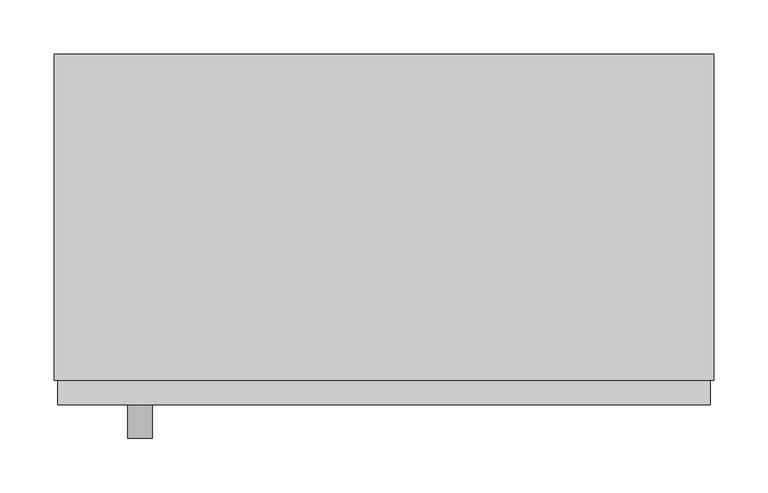
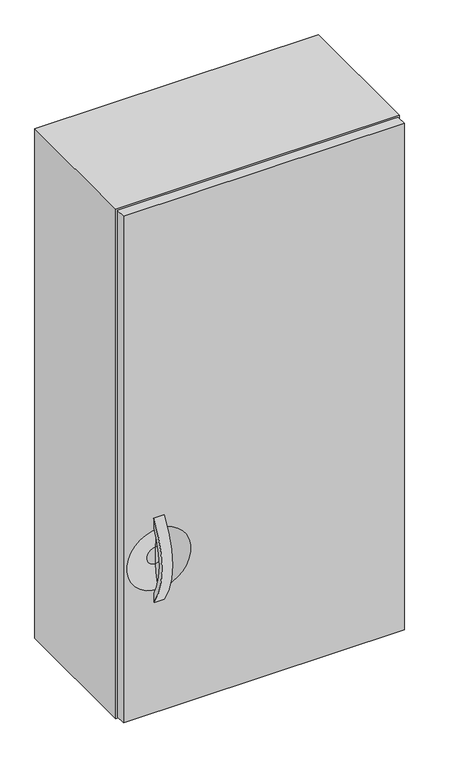
"""IFC4 building model written with IfcOpenShell, lengths in millimetres: furniture geometry."""

from ifc_helpers import new_model, si_unit, point, frame, frame_2d, origin, place, context, project, spatial, polyline, circle_curve, ellipse_curve, trimmed, segment, composite_curve, outline, extrude, source, transform, mapped, element, save
from ifc_brep_helpers import plane_surface, revolved_surface, advanced_brep


def furniture_ac9c296b(model_context):
    return source(origin(), model_context, "Body", "SolidModel", [
        extrude(outline(composite_curve([segment(trimmed(circle_curve(frame_2d((-190.9255705, 1312.8960115)), 164.0076795), [point((-323.977, 1217.0010896))], [point((-323.977, 1408.7909333))], False, "CARTESIAN"), True, "CONTINUOUS"), segment(polyline([(-323.977, 1408.7909333), (-323.977, 1390.1310792)]), True, "CONTINUOUS"), segment(trimmed(circle_curve(frame_2d((-192.7296017, 1312.8976127)), 152.2855473), [point((-323.977, 1390.1310792))], [point((-323.977, 1235.6641461))], True, "CARTESIAN"), True, "CONTINUOUS"), segment(polyline([(-323.977, 1235.6641461), (-323.977, 1217.0010896)]), True, "CONTINUOUS")], self_intersect=False)), frame((-217.7997951, 0.0, 0.0), z_axis=(1.0, 0.0, 0.0), x_axis=(0.0, 1.0, 0.0)), (0.0, 0.0, 1.0), 22.225),
        advanced_brep(
        [(-282.8872951, -301.2559062, 2116.1375), (-282.8872951, -323.977, 2116.1375), (320.3627049, -323.977, 2116.1375), (320.3627049, -301.2559062, 2116.1375), (-282.8872951, -301.2559062, 966.8637), (320.3627049, -301.2559062, 966.8637), (320.3627049, -323.977, 966.8637), (-282.8872951, -323.977, 966.8637), (-206.6872951, -323.977, 1381.4731846), (-206.6872951, -323.977, 1244.3188383), (-206.6872951, -311.3273482, 1293.8482279), (-206.6872951, -311.3273482, 1331.943795), (-206.6872951, -311.3273482, 1312.8960115)],
        [
            (0, 1),
            (1, 2),
            (2, 3),
            (3, 0),
            (4, 5),
            (5, 6),
            (6, 7),
            (7, 4),
            (0, 4),
            (7, 1),
            (6, 2),
            (8, 9, circle_curve(frame((-206.6872951, -323.977, 1312.8960115), z_axis=(0.0, 1.0, 0.0), x_axis=(0.0, 0.0, 1.0)), 68.5771731)),
            (9, 8, circle_curve(frame((-206.6872951, -323.977, 1312.8960115), z_axis=(0.0, 1.0, 0.0), x_axis=(0.0, 0.0, 1.0)), 68.5771731)),
            (5, 3),
            (10, 9, circle_curve(frame((-206.6872951, -432.1044866, 1298.3142972), z_axis=(-1.0, 0.0, 0.0), x_axis=(0.0, -1.0, 0.0)), 120.8596829)),
            (8, 11, circle_curve(frame((-206.6872951, -432.1044866, 1327.4777257), z_axis=(-1.0, 0.0, 0.0), x_axis=(0.0, -1.0, 0.0)), 120.8596829)),
            (11, 10, circle_curve(frame((-206.6872951, -311.3273482, 1312.8960115), z_axis=(0.0, 1.0, 0.0), x_axis=(0.0, 0.0, 1.0)), 19.0477836)),
            (10, 11, circle_curve(frame((-206.6872951, -311.3273482, 1312.8960115), z_axis=(0.0, 1.0, 0.0), x_axis=(0.0, 0.0, 1.0)), 19.0477836)),
            (11, 12),
            (12, 10),
        ],
        [
            plane_surface(frame((-282.8872951, -323.977, 2116.1375), z_axis=(0.0, 0.0, 1.0), x_axis=(0.0, -1.0, 0.0))),
            plane_surface(frame((-282.8872951, -323.977, 966.8637), z_axis=(0.0, 0.0, -1.0), x_axis=(0.0, 1.0, 0.0))),
            plane_surface(frame((-282.8872951, -301.2559062, 2116.1375), z_axis=(-1.0, 0.0, 0.0), x_axis=(0.0, 0.0, -1.0))),
            plane_surface(frame((-282.8872951, -323.977, 2116.1375), z_axis=(0.0, -1.0, 0.0), x_axis=(0.0, 0.0, -1.0))),
            plane_surface(frame((320.3627049, -323.977, 2116.1375), z_axis=(1.0, 0.0, 0.0), x_axis=(0.0, 0.0, -1.0))),
            plane_surface(frame((320.3627049, -301.2559062, 2116.1375), z_axis=(0.0, 1.0, 0.0), x_axis=(0.0, 0.0, -1.0))),
            revolved_surface(trimmed(ellipse_curve(frame((-206.6872951, -432.1044866, 1327.4777257), z_axis=(1.0, 0.0, 0.0), x_axis=(0.0, -1.0, 0.0)), 120.8596829, 120.8596829), [point((-206.6872951, -311.3273482, 1331.943795))], [point((-206.6872951, -323.977, 1381.4731846))], True, "CARTESIAN"), (-206.6872951, -311.3273482, 1312.8960115), (0.0, 1.0, 0.0)),
            plane_surface(frame((-206.6872951, -311.3273482, 1312.8960115), z_axis=(0.0, -1.0, 0.0), x_axis=(0.0, 0.0, 1.0))),
        ],
        [
            (0, [[1, 2, 3, 4]]),
            (1, [[5, 6, 7, 8]]),
            (2, [[-1, 9, -8, 10]]),
            (3, [[-2, -10, -7, 11], [12, 13]]),
            (4, [[-3, -11, -6, 14]]),
            (5, [[-4, -14, -5, -9]]),
            (6, [[15, -12, 16, 17]]),
            (6, [[-15, 18, -16, -13]]),
            (7, [[-17, 19, 20]]),
            (7, [[-18, -20, -19]]),
        ],
    ),
        extrude(outline(polyline([(-286.0622951, 0.0), (323.5377049, 0.0), (323.5377049, -301.2559062), (-286.0622951, -301.2559062), (-286.0622951, 0.0)])), frame((0.0, 0.0, 963.6887), z_axis=(0.0, 0.0, 1.0), x_axis=(1.0, 0.0, 0.0)), (0.0, 0.0, 1.0), 1155.6238),
    ])


if __name__ == "__main__":
    model = new_model("IFC4")
    model_context = context("Model", 3, world=origin())
    ifc_project = project(units=[si_unit("LENGTHUNIT", "METRE", prefix="MILLI")], contexts=[model_context])
    site = spatial("IfcSite", under=ifc_project)
    building = spatial("IfcBuilding", under=site)
    placement = place(None, origin())
    furniture_shape = furniture_ac9c296b(model_context)
    element("IfcFurniture", 1, at=placement, inside=building, context=model_context, shape_type="MappedRepresentation", body=[
        mapped(furniture_shape, transform((0.0, 0.0, 0.0), x_axis=(1.0, 0.0, 0.0), y_axis=(0.0, 1.0, 0.0), z_axis=(0.0, 0.0, 1.0))),
    ])
    save(model, "model.ifc")
